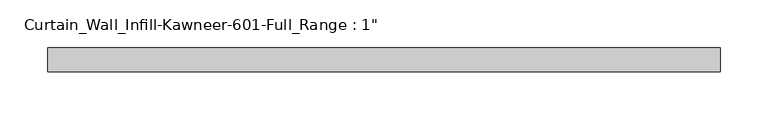
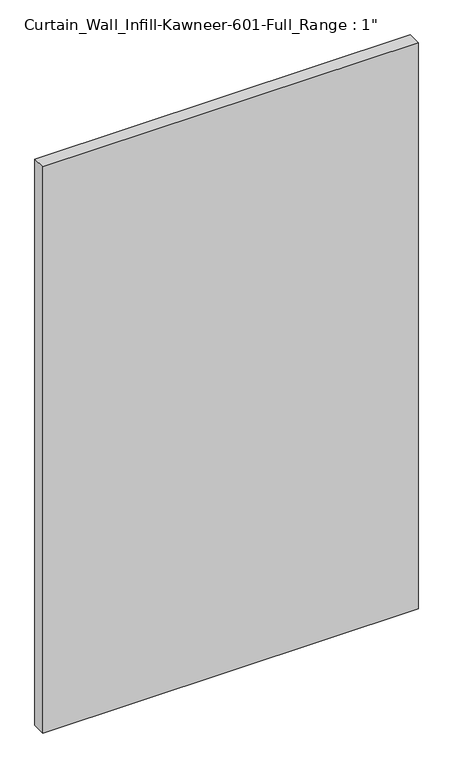
"""IFC4 building model written with IfcOpenShell, lengths in millimetres: plate geometry."""

from ifc_helpers import new_model, si_unit, origin, origin_with_axes, place, context, project, spatial, polyline, outline, extrude, source, transform, mapped, element, save


def plate_3b211b54(model_context):
    return source(origin(), model_context, "Body", "SweptSolid", [
        extrude(outline(polyline([(-352.425, 12.7), (352.425, 12.7), (352.425, -12.7), (-352.425, -12.7), (-352.425, 12.7)])), origin_with_axes(), (0.0, 0.0, 1.0), 1123.95),
    ])


if __name__ == "__main__":
    model = new_model("IFC4")
    model_context = context("Model", 3, world=origin())
    ifc_project = project(units=[si_unit("LENGTHUNIT", "METRE", prefix="MILLI")], contexts=[model_context])
    site = spatial("IfcSite", under=ifc_project)
    building = spatial("IfcBuilding", under=site)
    placement = place(None, origin())
    plate_shape = plate_3b211b54(model_context)
    element("IfcPlate", 1, ObjectType="Curtain_Wall_Infill-Kawneer-601-Full_Range : 1\"", at=placement, inside=building, context=model_context, shape_type="MappedRepresentation", body=[
        mapped(plate_shape, transform((0.0, 0.0, 0.0), x_axis=(1.0, 0.0, 0.0), y_axis=(0.0, 1.0, 0.0), z_axis=(0.0, 0.0, 1.0))),
    ])
    save(model, "model.ifc")
